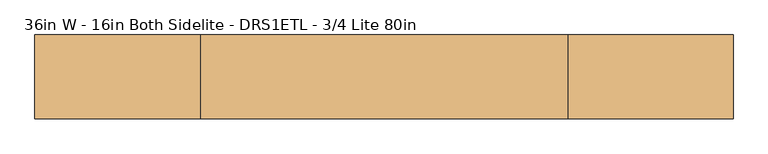
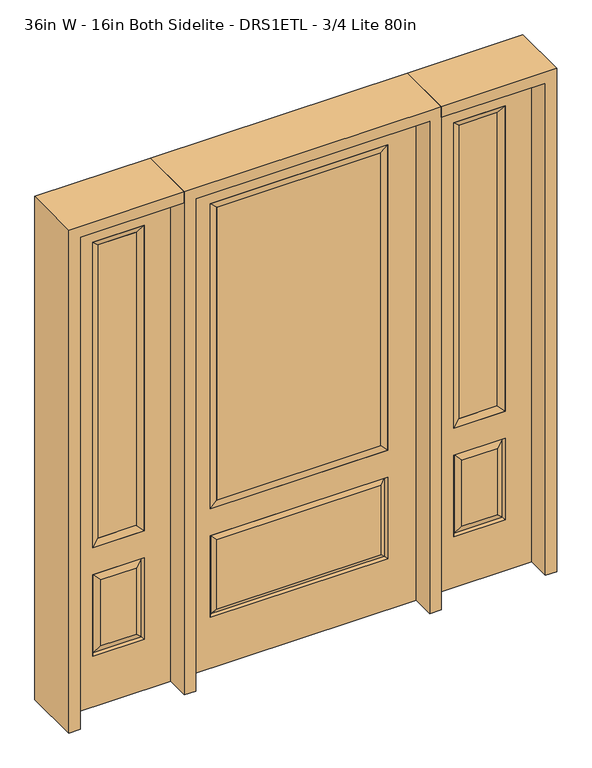
"""IFC4 building model written with IfcOpenShell, lengths in millimetres: door geometry, 36in W - 16in Both Sidelite - DRS1ETL - 3/4 Lite 80in."""

from ifc_helpers import new_model, si_unit, frame, origin, place, context, project, spatial, polyline, outline, extrude, faceted_brep, source, transform, mapped, element, save


def door_36in_w_16in_both_sidelite_drs1etl_3_4_lite_80in_2453dac9(model_context):
    return source(origin(), model_context, "Body", "SolidModel", [
        faceted_brep([(501.65, -22.225, 0.0), (908.05, -22.225, 0.0), (908.05, -22.225, 2032.0), (501.65, -22.225, 2032.0), (805.18, -22.225, 1919.224), (805.18, -22.225, 657.098), (604.52, -22.225, 657.098), (604.52, -22.225, 1919.224), (805.18, -22.225, 209.55), (604.52, -22.225, 209.55), (604.52, -22.225, 546.1), (805.18, -22.225, 546.1), (636.2351001, -22.225, 241.2651001), (773.4648999, -22.225, 241.2651001), (773.4648999, -22.225, 514.3848999), (636.2351001, -22.225, 514.3848999), (501.65, 22.225, 0.0), (501.65, 22.225, 2032.0), (908.05, 22.225, 2032.0), (908.05, 22.225, 0.0), (805.18, 22.225, 1919.224), (604.52, 22.225, 1919.224), (604.52, 22.225, 657.098), (805.18, 22.225, 657.098), (604.52, 22.225, 209.55), (805.18, 22.225, 209.55), (805.18, 22.225, 546.1), (604.52, 22.225, 546.1), (773.4648999, 22.225, 241.2651001), (636.2351001, 22.225, 241.2651001), (636.2351001, 22.225, 514.3848999), (773.4648999, 22.225, 514.3848999), (798.0711499, 12.7912373, 216.6588501), (611.6288501, 12.7912373, 216.6588501), (611.6288501, 12.7912373, 538.9911499), (798.0711499, 12.7912373, 538.9911499), (611.6288501, -12.7912373, 216.6588501), (798.0711499, -12.7912373, 216.6588501), (611.6288501, -12.7912373, 538.9911499), (798.0711499, -12.7912373, 538.9911499)], [[[0, 1, 2, 3], [4, 5, 6, 7], [8, 9, 10, 11]], [[12, 13, 14, 15]], [[16, 17, 18, 19], [20, 21, 22, 23], [24, 25, 26, 27]], [[28, 29, 30, 31]], [[1, 0, 16, 19]], [[2, 1, 19, 18]], [[3, 2, 18, 17]], [[0, 3, 17, 16]], [[5, 4, 20, 23]], [[6, 5, 23, 22]], [[7, 6, 22, 21]], [[4, 7, 21, 20]], [[32, 33, 29, 28]], [[33, 32, 25, 24]], [[29, 33, 34, 30]], [[33, 24, 27, 34]], [[30, 34, 35, 31]], [[34, 27, 26, 35]], [[32, 28, 31, 35]], [[25, 32, 35, 26]], [[12, 36, 37, 13]], [[37, 36, 9, 8]], [[36, 12, 15, 38]], [[9, 36, 38, 10]], [[38, 15, 14, 39]], [[10, 38, 39, 11]], [[13, 37, 39, 14]], [[37, 8, 11, 39]]]),
        faceted_brep([(604.52, 22.225, 1919.224), (604.52, -22.225, 1919.224), (805.18, -22.225, 1919.224), (805.18, 22.225, 1919.224), (629.92, 12.7, 1893.824), (779.78, 12.7, 1893.824), (629.92, -12.7, 1893.824), (779.78, -12.7, 1893.824), (805.18, -22.225, 657.098), (805.18, 22.225, 657.098), (779.78, 12.7, 682.498), (779.78, -12.7, 682.498), (604.52, -22.225, 657.098), (604.52, 22.225, 657.098), (629.92, 12.7, 682.498), (629.92, -12.7, 682.498)], [[[0, 1, 2, 3]], [[4, 0, 3, 5]], [[6, 4, 5, 7]], [[1, 6, 7, 2]], [[3, 2, 8, 9]], [[5, 3, 9, 10]], [[7, 5, 10, 11]], [[2, 7, 11, 8]], [[9, 8, 12, 13]], [[10, 9, 13, 14]], [[11, 10, 14, 15]], [[8, 11, 15, 12]], [[13, 12, 1, 0]], [[14, 13, 0, 4]], [[15, 14, 4, 6]], [[12, 15, 6, 1]]]),
        extrude(outline(polyline([(779.78, -12.7), (629.92, -12.7), (629.92, 12.7), (779.78, 12.7), (779.78, -12.7)])), frame((0.0, 0.0, 682.498), z_axis=(0.0, 0.0, 1.0), x_axis=(1.0, 0.0, 0.0)), (0.0, 0.0, 1.0), 1211.326),
        faceted_brep([(-908.05, -22.225, 0.0), (-501.65, -22.225, 0.0), (-501.65, -22.225, 2032.0), (-908.05, -22.225, 2032.0), (-604.52, -22.225, 1919.224), (-604.52, -22.225, 657.098), (-805.18, -22.225, 657.098), (-805.18, -22.225, 1919.224), (-604.52, -22.225, 209.55), (-805.18, -22.225, 209.55), (-805.18, -22.225, 546.1), (-604.52, -22.225, 546.1), (-773.4648999, -22.225, 241.2651001), (-636.2351001, -22.225, 241.2651001), (-636.2351001, -22.225, 514.3848999), (-773.4648999, -22.225, 514.3848999), (-908.05, 22.225, 0.0), (-908.05, 22.225, 2032.0), (-501.65, 22.225, 2032.0), (-501.65, 22.225, 0.0), (-604.52, 22.225, 1919.224), (-805.18, 22.225, 1919.224), (-805.18, 22.225, 657.098), (-604.52, 22.225, 657.098), (-805.18, 22.225, 209.55), (-604.52, 22.225, 209.55), (-604.52, 22.225, 546.1), (-805.18, 22.225, 546.1), (-636.2351001, 22.225, 241.2651001), (-773.4648999, 22.225, 241.2651001), (-773.4648999, 22.225, 514.3848999), (-636.2351001, 22.225, 514.3848999), (-611.6288501, 12.7912373, 216.6588501), (-798.0711499, 12.7912373, 216.6588501), (-798.0711499, 12.7912373, 538.9911499), (-611.6288501, 12.7912373, 538.9911499), (-798.0711499, -12.7912373, 216.6588501), (-611.6288501, -12.7912373, 216.6588501), (-798.0711499, -12.7912373, 538.9911499), (-611.6288501, -12.7912373, 538.9911499)], [[[0, 1, 2, 3], [4, 5, 6, 7], [8, 9, 10, 11]], [[12, 13, 14, 15]], [[16, 17, 18, 19], [20, 21, 22, 23], [24, 25, 26, 27]], [[28, 29, 30, 31]], [[1, 0, 16, 19]], [[2, 1, 19, 18]], [[3, 2, 18, 17]], [[0, 3, 17, 16]], [[5, 4, 20, 23]], [[6, 5, 23, 22]], [[7, 6, 22, 21]], [[4, 7, 21, 20]], [[32, 33, 29, 28]], [[33, 32, 25, 24]], [[29, 33, 34, 30]], [[33, 24, 27, 34]], [[30, 34, 35, 31]], [[34, 27, 26, 35]], [[32, 28, 31, 35]], [[25, 32, 35, 26]], [[12, 36, 37, 13]], [[37, 36, 9, 8]], [[36, 12, 15, 38]], [[9, 36, 38, 10]], [[38, 15, 14, 39]], [[10, 38, 39, 11]], [[13, 37, 39, 14]], [[37, 8, 11, 39]]]),
        faceted_brep([(-805.18, 22.225, 1919.224), (-805.18, -22.225, 1919.224), (-604.52, -22.225, 1919.224), (-604.52, 22.225, 1919.224), (-779.78, 12.7, 1893.824), (-629.92, 12.7, 1893.824), (-779.78, -12.7, 1893.824), (-629.92, -12.7, 1893.824), (-604.52, -22.225, 657.098), (-604.52, 22.225, 657.098), (-629.92, 12.7, 682.498), (-629.92, -12.7, 682.498), (-805.18, -22.225, 657.098), (-805.18, 22.225, 657.098), (-779.78, 12.7, 682.498), (-779.78, -12.7, 682.498)], [[[0, 1, 2, 3]], [[4, 0, 3, 5]], [[6, 4, 5, 7]], [[1, 6, 7, 2]], [[3, 2, 8, 9]], [[5, 3, 9, 10]], [[7, 5, 10, 11]], [[2, 7, 11, 8]], [[9, 8, 12, 13]], [[10, 9, 13, 14]], [[11, 10, 14, 15]], [[8, 11, 15, 12]], [[13, 12, 1, 0]], [[14, 13, 0, 4]], [[15, 14, 4, 6]], [[12, 15, 6, 1]]]),
        extrude(outline(polyline([(-629.92, -12.7), (-779.78, -12.7), (-779.78, 12.7), (-629.92, 12.7), (-629.92, -12.7)])), frame((0.0, 0.0, 682.498), z_axis=(0.0, 0.0, 1.0), x_axis=(1.0, 0.0, 0.0)), (0.0, 0.0, 1.0), 1211.326),
        faceted_brep([(-338.9661499, -12.7912373, 216.6588501), (338.9661499, -12.7912373, 216.6588501), (321.46875, -22.225, 234.15625), (-321.46875, -22.225, 234.15625), (-346.075, -22.225, 209.55), (346.075, -22.225, 209.55), (-338.9661499, -12.7912373, 538.9911499), (-346.075, -22.225, 546.1), (321.46875, -22.225, 521.49375), (-321.46875, -22.225, 521.49375), (457.2, -22.225, 2032.0), (-457.2, -22.225, 2032.0), (-457.2, -22.225, 0.0), (457.2, -22.225, 0.0), (346.075, -22.225, 546.1), (346.075, -22.225, 1917.7), (346.075, -22.225, 657.098), (-346.075, -22.225, 657.098), (-346.075, -22.225, 1917.7), (338.9661499, -12.7912373, 538.9911499), (-457.2, 22.225, 2032.0), (-457.2, 22.225, 0.0), (457.2, 22.225, 0.0), (457.2, 22.225, 2032.0), (346.075, 22.225, 1917.7), (346.075, 22.225, 657.098), (-346.075, 22.225, 657.098), (-346.075, 22.225, 1917.7), (-346.075, 22.225, 209.55), (346.075, 22.225, 209.55), (346.075, 22.225, 546.1), (-346.075, 22.225, 546.1), (321.46875, 22.225, 234.15625), (-321.46875, 22.225, 234.15625), (-321.46875, 22.225, 521.49375), (321.46875, 22.225, 521.49375), (-338.9661499, 12.7912373, 216.6588501), (338.9661499, 12.7912373, 216.6588501), (338.9661499, 12.7912373, 538.9911499), (-338.9661499, 12.7912373, 538.9911499)], [[[0, 1, 2, 3]], [[1, 0, 4, 5]], [[4, 0, 6, 7]], [[3, 2, 8, 9]], [[10, 11, 12, 13], [5, 4, 7, 14], [15, 16, 17, 18]], [[1, 5, 14, 19]], [[2, 1, 19, 8]], [[0, 3, 9, 6]], [[7, 6, 19, 14]], [[6, 9, 8, 19]], [[12, 11, 20, 21]], [[13, 12, 21, 22]], [[10, 13, 22, 23]], [[16, 15, 24, 25]], [[17, 16, 25, 26]], [[18, 17, 26, 27]], [[23, 22, 21, 20], [28, 29, 30, 31], [24, 27, 26, 25]], [[32, 33, 34, 35]], [[28, 36, 37, 29]], [[29, 37, 38, 30]], [[39, 31, 30, 38]], [[36, 28, 31, 39]], [[37, 36, 33, 32]], [[33, 36, 39, 34]], [[34, 39, 38, 35]], [[37, 32, 35, 38]], [[11, 10, 23, 20]], [[15, 18, 27, 24]]]),
        faceted_brep([(-346.075, -22.225, 1917.7), (-346.075, 22.225, 1917.7), (-346.075, 22.225, 657.098), (-346.075, -22.225, 657.098), (346.075, 22.225, 657.098), (346.075, -22.225, 657.098), (-320.675, 5.08, 682.498), (320.675, 5.08, 682.498), (346.075, 22.225, 1917.7), (346.075, -22.225, 1917.7), (-320.675, -20.32, 682.498), (320.675, -20.32, 682.498), (-320.675, -20.32, 1892.3), (320.675, -20.32, 1892.3), (-320.675, 5.08, 1892.3), (320.675, 5.08, 1892.3)], [[[0, 1, 2, 3]], [[3, 2, 4, 5]], [[2, 6, 7, 4]], [[5, 4, 8, 9]], [[10, 3, 5, 11]], [[12, 0, 3, 10]], [[11, 5, 9, 13]], [[6, 10, 11, 7]], [[14, 12, 10, 6]], [[7, 11, 13, 15]], [[1, 14, 6, 2]], [[4, 7, 15, 8]], [[9, 8, 1, 0]], [[13, 9, 0, 12]], [[15, 13, 12, 14]], [[8, 15, 14, 1]]]),
        extrude(outline(polyline([(320.675, -20.32), (-320.675, -20.32), (-320.675, 5.08), (320.675, 5.08), (320.675, -20.32)])), frame((0.0, 0.0, 682.498), z_axis=(0.0, 0.0, 1.0), x_axis=(1.0, 0.0, 0.0)), (0.0, 0.0, 1.0), 1209.802),
        extrude(outline(polyline([(2032.0, -501.65), (2076.45, -501.65), (2076.45, -952.5), (0.0, -952.5), (0.0, -908.05), (2032.0, -908.05), (2032.0, -501.65)])), frame((0.0, -114.3, 0.0), z_axis=(0.0, 1.0, 0.0), x_axis=(0.0, 0.0, 1.0)), (0.0, 0.0, 1.0), 228.6),
        extrude(outline(polyline([(2076.45, -501.65), (0.0, -501.65), (0.0, -457.2), (2032.0, -457.2), (2032.0, 457.2), (0.0, 457.2), (0.0, 501.65), (2076.45, 501.65), (2076.45, -501.65)])), frame((0.0, -114.3, 0.0), z_axis=(0.0, 1.0, 0.0), x_axis=(0.0, 0.0, 1.0)), (0.0, 0.0, 1.0), 228.6),
        extrude(outline(polyline([(0.0, 908.05), (0.0, 952.5), (2076.45, 952.5), (2076.45, 501.65), (2032.0, 501.65), (2032.0, 908.05), (0.0, 908.05)])), frame((0.0, -114.3, 0.0), z_axis=(0.0, 1.0, 0.0), x_axis=(0.0, 0.0, 1.0)), (0.0, 0.0, 1.0), 228.6),
    ])


if __name__ == "__main__":
    model = new_model("IFC4")
    model_context = context("Model", 3, world=origin())
    ifc_project = project(units=[si_unit("LENGTHUNIT", "METRE", prefix="MILLI")], contexts=[model_context])
    site = spatial("IfcSite", under=ifc_project)
    building = spatial("IfcBuilding", under=site)
    placement = place(None, origin())
    door_36in_w_16in_both_sidelite_drs1etl_3_4_lite_80in_shape = door_36in_w_16in_both_sidelite_drs1etl_3_4_lite_80in_2453dac9(model_context)
    element("IfcDoor", 1, ObjectType="36in W - 16in Both Sidelite - DRS1ETL - 3/4 Lite 80in", at=placement, inside=building, context=model_context, shape_type="MappedRepresentation", body=[
        mapped(door_36in_w_16in_both_sidelite_drs1etl_3_4_lite_80in_shape, transform((0.0, 0.0, 0.0), x_axis=(1.0, 0.0, 0.0), y_axis=(0.0, 1.0, 0.0), z_axis=(0.0, 0.0, 1.0))),
    ])
    save(model, "model.ifc")
